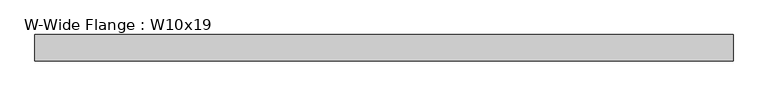
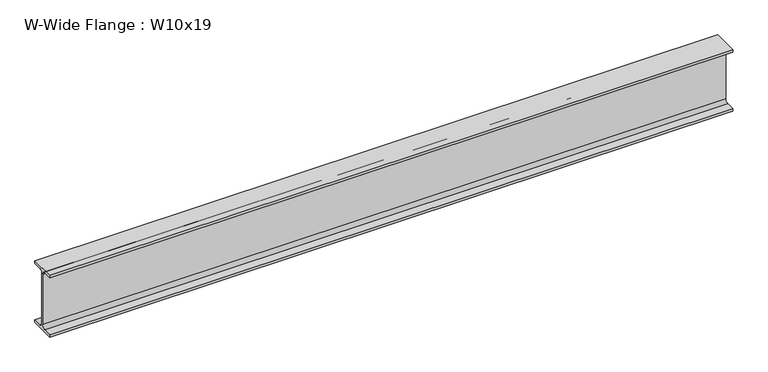
"""IFC4 building model written with IfcOpenShell, lengths in millimetres: beam geometry, W-Wide Flange : W10x19."""

from ifc_helpers import new_model, si_unit, point, frame, frame_2d, origin, place, context, project, spatial, polyline, circle_curve, trimmed, segment, composite_curve, outline, extrude, source, transform, mapped, element, save


def w_wide_flange_w10x19_03b1a9aa(model_context):
    return source(origin(), model_context, "Body", "SweptSolid", [
        extrude(outline(composite_curve([segment(polyline([(51.054, -119.507), (51.054, -129.54), (-51.054, -129.54), (-51.054, -119.507), (-16.9545, -119.507)]), True, "CONTINUOUS"), segment(trimmed(circle_curve(frame_2d((-16.9545, -105.7275)), 13.7795), [point((-16.9545, -119.507))], [point((-3.175, -105.7275))], True, "CARTESIAN"), True, "CONTINUOUS"), segment(polyline([(-3.175, -105.7275), (-3.175, 105.7275)]), True, "CONTINUOUS"), segment(trimmed(circle_curve(frame_2d((-16.9545, 105.7275)), 13.7795), [point((-3.175, 105.7275))], [point((-16.9545, 119.507))], True, "CARTESIAN"), True, "CONTINUOUS"), segment(polyline([(-16.9545, 119.507), (-51.054, 119.507), (-51.054, 129.54), (51.054, 129.54), (51.054, 119.507), (16.9545, 119.507)]), True, "CONTINUOUS"), segment(trimmed(circle_curve(frame_2d((16.9545, 105.7275)), 13.7795), [point((16.9545, 119.507))], [point((3.175, 105.7275))], True, "CARTESIAN"), True, "CONTINUOUS"), segment(polyline([(3.175, 105.7275), (3.175, -105.7275)]), True, "CONTINUOUS"), segment(trimmed(circle_curve(frame_2d((16.9545, -105.7275)), 13.7795), [point((3.175, -105.7275))], [point((16.9545, -119.507))], True, "CARTESIAN"), True, "CONTINUOUS"), segment(polyline([(16.9545, -119.507), (51.054, -119.507)]), True, "CONTINUOUS")], self_intersect=False)), frame((-1358.9, 0.0, 0.0), z_axis=(1.0, 0.0, 0.0), x_axis=(0.0, 1.0, 0.0)), (0.0, 0.0, 1.0), 2717.8),
    ])


if __name__ == "__main__":
    model = new_model("IFC4")
    model_context = context("Model", 3, world=origin())
    ifc_project = project(units=[si_unit("LENGTHUNIT", "METRE", prefix="MILLI")], contexts=[model_context])
    site = spatial("IfcSite", under=ifc_project)
    building = spatial("IfcBuilding", under=site)
    placement = place(None, origin())
    w_wide_flange_w10x19_shape = w_wide_flange_w10x19_03b1a9aa(model_context)
    element("IfcBeam", 1, ObjectType="W-Wide Flange : W10x19", at=placement, inside=building, context=model_context, shape_type="MappedRepresentation", body=[
        mapped(w_wide_flange_w10x19_shape, transform((0.0, 0.0, 0.0), x_axis=(1.0, 0.0, 0.0), y_axis=(0.0, 1.0, 0.0), z_axis=(0.0, 0.0, 1.0))),
    ])
    save(model, "model.ifc")
